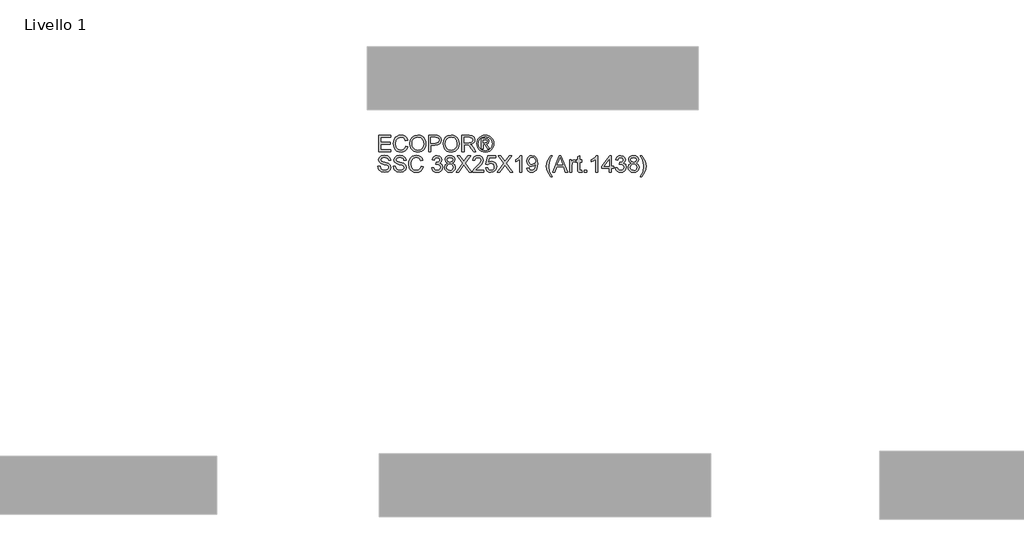
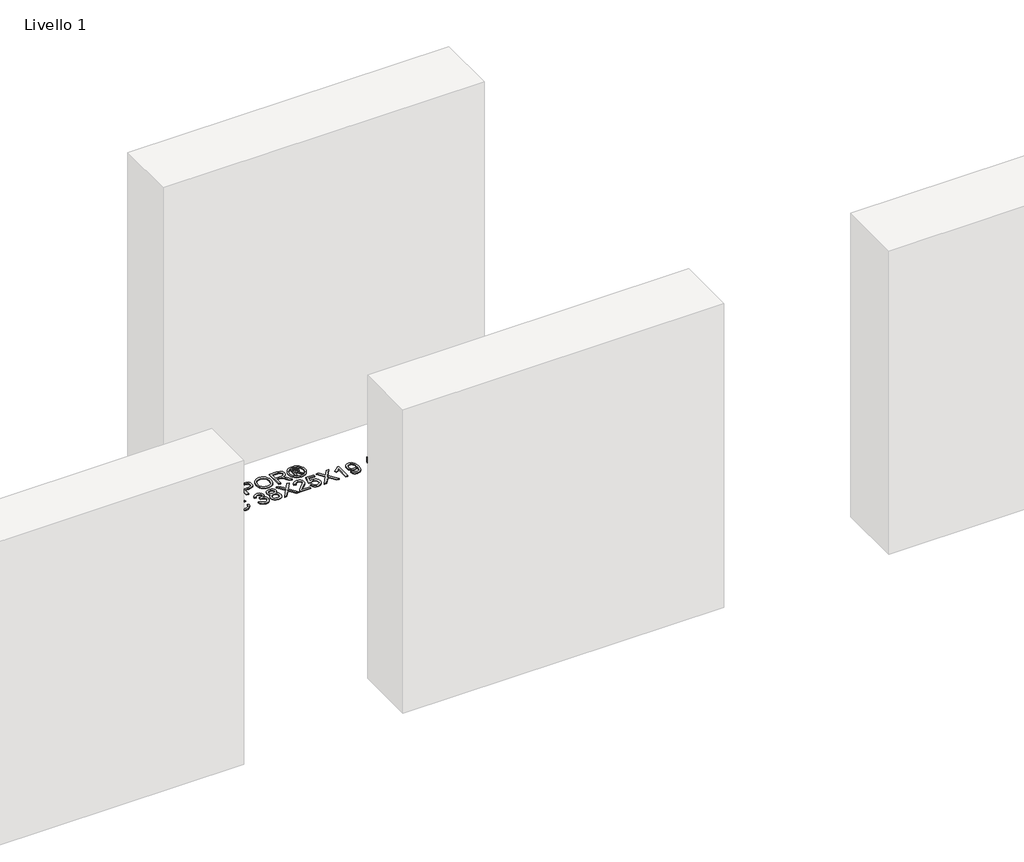
# One storey, part 8 of 10: 1 proxy.
"""IFC4 building model written with IfcOpenShell, lengths in millimetres."""

import ifcopenshell
import ifcopenshell.guid

model = None  # the IFC model being written
_history = None  # IfcOwnerHistory: only IFC2X3 demands one
_inside = {}  # id of a spatial element -> (the spatial element, [elements in it])
_under = {}  # id of a project, library or spatial element -> (it, [spatial elements below it])
_declared = {}  # id of a project -> (the project, [libraries it declares])
_typed = {}  # id of a type object -> (the type object, [elements of that type])
_made_of = {}  # id of a material, layer set ... -> (it, [elements and type objects made of it])


def new_model(schema):
    """Start an empty IFC model of exactly this schema.

    Asked for "IFC4X3", IfcOpenShell would pick the latest addendum, in which some entities
    have other attributes; the version numbers below select the first issue.
    IFC2X3 requires an IfcOwnerHistory on every rooted entity: one is made here for all.
    """
    global model, _history
    if schema == "IFC4X3":
        model = ifcopenshell.file(schema_version=(4, 3, 0, 0))
    else:
        model = ifcopenshell.file(schema=schema)
    _inside.clear()
    _under.clear()
    _declared.clear()
    _typed.clear()
    _made_of.clear()
    _history = None
    if model.schema == "IFC2X3":
        org = make("IfcOrganization", Name="unknown")
        user = make(
            "IfcPersonAndOrganization",
            ThePerson=make("IfcPerson", FamilyName="unknown"),
            TheOrganization=org,
        )
        app = make(
            "IfcApplication",
            ApplicationDeveloper=org,
            Version="unknown",
            ApplicationFullName="unknown",
            ApplicationIdentifier="unknown",
        )
        _history = make(
            "IfcOwnerHistory",
            OwningUser=user,
            OwningApplication=app,
            ChangeAction="ADDED",
            CreationDate=0,
        )
    return model


def make(cls, **values):
    """One entity of the class cls with the attributes given. An attribute that is None is left unset."""
    return model.create_entity(
        cls, **{name: value for name, value in values.items() if value is not None}
    )


def rooted(cls, **values):
    """An entity with a GlobalId (a new one), such as an element, a storey or a relation."""
    return make(cls, GlobalId=ifcopenshell.guid.new(), OwnerHistory=_history, **values)


def si_unit(unit_type, name, prefix=None):
    """IfcSIUnit, for example si_unit("LENGTHUNIT", "METRE", prefix="MILLI")."""
    return make("IfcSIUnit", UnitType=unit_type, Prefix=prefix, Name=name)


def assignment(units):
    """IfcUnitAssignment: the units of a project."""
    return None if units is None else make("IfcUnitAssignment", Units=units)


def point(xyz):
    """IfcCartesianPoint."""
    return None if xyz is None else make("IfcCartesianPoint", Coordinates=xyz)


def direction(xyz):
    """IfcDirection."""
    return None if xyz is None else make("IfcDirection", DirectionRatios=xyz)


def frame(location, z_axis=None, x_axis=None):
    """IfcAxis2Placement3D, a coordinate frame: its origin and axes. An axis left out is left unset."""
    return make(
        "IfcAxis2Placement3D",
        Location=point(location),
        Axis=direction(z_axis),
        RefDirection=direction(x_axis),
    )


def origin():
    """The frame at (0, 0, 0) with its axes left unset."""
    return frame((0.0, 0.0, 0.0))


def origin_with_axes():
    """The frame at (0, 0, 0) with the z axis (0, 0, 1) and the x axis (1, 0, 0) written out."""
    return frame((0.0, 0.0, 0.0), z_axis=(0.0, 0.0, 1.0), x_axis=(1.0, 0.0, 0.0))


def place(relative_to, where):
    """IfcLocalPlacement: puts the frame where relative to a parent placement (None: the world)."""
    return make(
        "IfcLocalPlacement", PlacementRelTo=relative_to, RelativePlacement=where
    )


def context(
    kind, dimensions, precision=None, world=None, true_north=None, identifier=None
):
    """IfcGeometricRepresentationContext, for example the 3D "Model" context."""
    return make(
        "IfcGeometricRepresentationContext",
        ContextIdentifier=identifier,
        ContextType=kind,
        CoordinateSpaceDimension=dimensions,
        Precision=precision,
        WorldCoordinateSystem=world,
        TrueNorth=true_north,
    )


def project(units=None, contexts=None):
    """IfcProject with its units and contexts."""
    return rooted(
        "IfcProject",
        Name="project",
        RepresentationContexts=contexts,
        UnitsInContext=assignment(units),
    )


def spatial(cls, under=None, at=None, **own):
    """A site, building, storey or space (cls), placed at a placement, below another one or the project."""
    s = rooted(cls, ObjectPlacement=at, **own)
    if under is not None:
        _under.setdefault(under.id(), (under, []))[1].append(s)
    return s


def polyline(points):
    """IfcPolyline through the points."""
    return make("IfcPolyline", Points=[point(p) for p in points])


def outline(outer, holes=None, kind="AREA"):
    """IfcArbitraryClosedProfileDef: a profile drawn as a closed curve; with holes, ...WithVoids."""
    if holes is None:
        return make("IfcArbitraryClosedProfileDef", ProfileType=kind, OuterCurve=outer)
    return make(
        "IfcArbitraryProfileDefWithVoids",
        ProfileType=kind,
        OuterCurve=outer,
        InnerCurves=holes,
    )


def extrude(swept, where, along, depth):
    """IfcExtrudedAreaSolid: the profile swept, set in the frame where, extruded along a direction by depth."""
    return make(
        "IfcExtrudedAreaSolid",
        SweptArea=swept,
        Position=where,
        ExtrudedDirection=direction(along),
        Depth=depth,
    )


def shape(context_of_items, identifier, shape_type, items):
    """IfcShapeRepresentation: the items that make up one representation, for example the "Body"."""
    return make(
        "IfcShapeRepresentation",
        ContextOfItems=context_of_items,
        RepresentationIdentifier=identifier,
        RepresentationType=shape_type,
        Items=items,
    )


def made_of(thing, what):
    """Note that an element or type object is made of a material, layer set ...; save() writes the relation."""
    if what is not None:
        _made_of.setdefault(what.id(), (what, []))[1].append(thing)
    return thing


def element(
    cls,
    number,
    at=None,
    inside=None,
    cuts=None,
    type_object=None,
    material=None,
    context=None,
    identifier="Body",
    shape_type=None,
    held_by="IfcProductDefinitionShape",
    body=None,
    shapes=None,
    **own,
):
    """One element of the class cls, such as IfcWall. Its Tag is "e" and its number.

    at: its placement. inside: the storey or other place that contains it. cuts: it is an
    opening in that element (IfcRelVoidsElement). A single representation is given by context,
    identifier, shape_type and body (its items); several are given by shapes. held_by: the class
    of the entity that holds the representations. save() writes the other relations.
    """
    e = rooted(cls, Tag="e%d" % number, ObjectPlacement=at, **own)
    if body is not None:
        shapes = [shape(context, identifier, shape_type, body)]
    if shapes is not None:
        e.Representation = make(held_by, Representations=shapes)
    if inside is not None:
        _inside.setdefault(inside.id(), (inside, []))[1].append(e)
    if cuts is not None:
        rooted(
            "IfcRelVoidsElement", RelatingBuildingElement=cuts, RelatedOpeningElement=e
        )
    if type_object is not None:
        _typed.setdefault(type_object.id(), (type_object, []))[1].append(e)
    return made_of(e, material)


def aggregate(whole, parts):
    """IfcRelAggregates: a whole, such as a stair, and the parts it consists of."""
    return rooted("IfcRelAggregates", RelatingObject=whole, RelatedObjects=parts)


def save(model, path):
    """Write the relations noted so far, then the file.

    IfcRelAggregates (storeys below a building ...), IfcRelContainedInSpatialStructure (elements
    in a storey), IfcRelDefinesByType, IfcRelAssociatesMaterial and IfcRelDeclares: one each for
    every whole, place, type object, material and project.
    """
    for whole, parts in _under.values():
        aggregate(whole, parts)
    for where, things in _inside.values():
        rooted(
            "IfcRelContainedInSpatialStructure",
            RelatedElements=things,
            RelatingStructure=where,
        )
    for kind, things in _typed.values():
        rooted("IfcRelDefinesByType", RelatedObjects=things, RelatingType=kind)
    for what, things in _made_of.values():
        rooted("IfcRelAssociatesMaterial", RelatedObjects=things, RelatingMaterial=what)
    for by, libraries in _declared.values():
        rooted("IfcRelDeclares", RelatingContext=by, RelatedDefinitions=libraries)
    model.write(path)


model = new_model("IFC4")

# Units and contexts
model_context = context("Model", 3, world=origin())
ifc_project = project(units=[si_unit("LENGTHUNIT", "METRE", prefix="MILLI")], contexts=[model_context])

# Site, building, storey
site = spatial("IfcSite", under=ifc_project)
building = spatial("IfcBuilding", under=site)
storey = spatial("IfcBuildingStorey", under=building, Name="Livello 1", Elevation=0.0)

# Proxy
placement = place(None, origin())
element("IfcBuildingElementProxy", 1, Name="100", ObjectType="100", at=placement, inside=storey, context=model_context, shape_type="SweptSolid", body=[
    extrude(outline(polyline([(896.162408, 2547.5921016), (896.162408, 2648.0484117), (968.3653809, 2648.0484117), (968.3653809, 2635.4913729), (908.7194468, 2635.4913729), (908.7194468, 2605.6684059), (965.2261212, 2605.6684059), (965.2261212, 2593.1113671), (908.7194468, 2593.1113671), (908.7194468, 2560.1491403), (969.9350108, 2560.1491403), (969.9350108, 2547.5921016), (896.162408, 2547.5921016)])), origin_with_axes(), (0.0, 0.0, 1.0), 5.0),
    extrude(outline(polyline([(1059.403912, 2583.3011805), (1071.9609508, 2580.063819), (1066.1668094, 2565.4313126), (1057.0739927, 2554.741275), (1045.1300906, 2548.2021725), (1030.7826928, 2546.0224717), (1016.2176315, 2547.6718093), (1004.6508084, 2552.6198222), (995.7848523, 2560.6948319), (989.3223919, 2571.7251604), (984.0616794, 2598.5805461), (985.5485358, 2613.2283809), (990.009105, 2625.8773901), (997.210395, 2636.1259694), (1006.919414, 2643.5725141), (1018.4341205, 2648.1066597), (1031.0524729, 2649.6180415), (1044.8204566, 2647.6621356), (1056.2033387, 2641.7944178), (1064.8454999, 2632.3766387), (1070.3913209, 2619.770549), (1057.8342822, 2616.7784421), (1047.5335863, 2632.2172232), (1030.5619636, 2637.0610028), (1010.9170651, 2631.6899256), (999.8192915, 2617.2689514), (996.6187182, 2598.6050715), (1000.4079027, 2576.9736102), (1012.204652, 2563.1535099), (1029.531894, 2558.5795105), (1040.0134652, 2560.1368776), (1048.7475969, 2564.8089789), (1055.3418817, 2572.5467636), (1059.403912, 2583.3011805)])), origin_with_axes(), (0.0, 0.0, 1.0), 5.0),
    extrude(outline(polyline([(1084.5179896, 2596.4958814), (1087.8657157, 2618.7098226), (1097.9088942, 2635.5158984), (1113.243442, 2646.0925058), (1132.4652763, 2649.6180415), (1145.6415831, 2647.9625726), (1157.4567265, 2642.9961656), (1167.266913, 2635.0683086), (1174.4283492, 2624.5284895), (1178.8061449, 2611.8856116), (1180.2654102, 2597.6485784), (1178.7295028, 2583.2214728), (1174.1217808, 2570.4007853), (1166.6966959, 2559.842572), (1156.7086997, 2552.2028892), (1144.9947239, 2547.5675761), (1132.3916999, 2546.0224717), (1119.013058, 2547.7300573), (1107.1304695, 2552.8528141), (1097.3448085, 2560.9278239), (1090.2569487, 2571.4921685), (1084.5179896, 2596.4958814)]), holes=[polyline([(1097.0750283, 2596.3732541), (1099.5858229, 2580.6585616), (1107.1182068, 2568.6840026), (1118.4397752, 2561.1056335), (1132.3181235, 2558.5795105), (1146.3988068, 2561.130159), (1157.7387693, 2568.7821045), (1165.2159709, 2581.1245454), (1167.7083714, 2597.7466802), (1163.4409403, 2618.4706993), (1150.9697406, 2632.1926977), (1132.5388527, 2637.0610028), (1119.0314521, 2634.7157551), (1107.5474025, 2627.6800119), (1099.6931219, 2615.162827), (1097.0750283, 2596.3732541)])]), origin_with_axes(), (0.0, 0.0, 1.0), 5.0),
    extrude(outline(polyline([(1197.5313385, 2547.5921016), (1197.5313385, 2648.0484117), (1234.7609964, 2648.0484117), (1249.7705818, 2647.0919185), (1261.9720013, 2642.3952917), (1269.8814642, 2632.683207), (1272.8735711, 2618.9857341), (1270.8532858, 2607.1460652), (1264.7924299, 2597.2806964), (1253.4585988, 2590.6220323), (1235.6193877, 2588.4024775), (1210.0883772, 2588.4024775), (1210.0883772, 2547.5921016), (1197.5313385, 2547.5921016)]), holes=[polyline([(1210.0883772, 2600.9595163), (1236.3551517, 2600.9595163), (1254.8473533, 2605.570304), (1258.9492376, 2611.1191908), (1260.3165323, 2618.5442757), (1257.0914335, 2628.9430734), (1248.6178849, 2634.6329816), (1236.0608461, 2635.4913729), (1210.0883772, 2635.4913729), (1210.0883772, 2600.9595163)])]), origin_with_axes(), (0.0, 0.0, 1.0), 5.0),
    extrude(outline(polyline([(1285.4306099, 2596.4958814), (1288.778336, 2618.7098226), (1298.8215145, 2635.5158984), (1314.1560623, 2646.0925058), (1333.3778966, 2649.6180415), (1346.5542033, 2647.9625726), (1358.3693468, 2642.9961656), (1368.1795333, 2635.0683086), (1375.3409695, 2624.5284895), (1379.7187652, 2611.8856116), (1381.1780305, 2597.6485784), (1379.6421231, 2583.2214728), (1375.0344011, 2570.4007853), (1367.6093162, 2559.842572), (1357.62132, 2552.2028892), (1345.9073442, 2547.5675761), (1333.3043202, 2546.0224717), (1319.9256783, 2547.7300573), (1308.0430898, 2552.8528141), (1298.2574287, 2560.9278239), (1291.169569, 2571.4921685), (1285.4306099, 2596.4958814)]), holes=[polyline([(1297.9876486, 2596.3732541), (1300.4984432, 2580.6585616), (1308.0308271, 2568.6840026), (1319.3523955, 2561.1056335), (1333.2307438, 2558.5795105), (1347.3114271, 2561.130159), (1358.6513896, 2568.7821045), (1366.1285912, 2581.1245454), (1368.6209917, 2597.7466802), (1364.3535605, 2618.4706993), (1351.8823609, 2632.1926977), (1333.451473, 2637.0610028), (1319.9440724, 2634.7157551), (1308.4600227, 2627.6800119), (1300.6057422, 2615.162827), (1297.9876486, 2596.3732541)])]), origin_with_axes(), (0.0, 0.0, 1.0), 5.0),
    extrude(outline(polyline([(1398.4439588, 2547.5921016), (1398.4439588, 2648.0484117), (1441.7314069, 2648.0484117), (1461.8300265, 2645.3383477), (1472.8174355, 2635.7488903), (1476.9254511, 2620.5553639), (1475.2239968, 2610.6593383), (1470.1196342, 2602.4555698), (1461.4590789, 2596.4406991), (1449.0890468, 2593.1113671), (1456.2259575, 2587.74029), (1466.404026, 2574.8153692), (1483.1549195, 2547.5921016), (1468.5622671, 2547.5921016), (1455.4901935, 2568.4142225), (1446.0478889, 2582.1975346), (1439.4137503, 2588.7090459), (1433.4417992, 2591.1002788), (1426.1577357, 2591.5417372), (1411.0009975, 2591.5417372), (1411.0009975, 2547.5921016), (1398.4439588, 2547.5921016)]), holes=[polyline([(1411.0009975, 2604.098776), (1439.107182, 2604.098776), (1453.442317, 2605.8768723), (1461.5847719, 2611.5667805), (1464.3684123, 2620.0893801), (1459.0586488, 2631.1503654), (1442.2709671, 2635.4913729), (1411.0009975, 2635.4913729), (1411.0009975, 2604.098776)])]), origin_with_axes(), (0.0, 0.0, 1.0), 5.0),
    extrude(outline(polyline([(1539.7351704, 2649.6180415), (1552.6294343, 2647.9441785), (1565.2171299, 2642.9225892), (1576.2750496, 2634.7862658), (1584.5799856, 2623.7682), (1589.7763188, 2611.0456144), (1591.5084298, 2597.7957312), (1589.8008442, 2584.6623439), (1584.6780875, 2572.0439915), (1576.474319, 2561.0657796), (1565.5236982, 2552.8528141), (1552.9145429, 2547.7300573), (1539.7351704, 2546.0224717), (1526.574192, 2547.7300573), (1513.971168, 2552.8528141), (1503.0113502, 2561.0657796), (1494.7799906, 2572.0439915), (1489.6296426, 2584.6623439), (1487.91286, 2597.7957312), (1489.6541681, 2611.0456144), (1494.8780924, 2623.7682), (1503.2106196, 2634.7862658), (1514.2777363, 2642.9225892), (1526.8593006, 2647.9441785), (1539.7351704, 2649.6180415)]), holes=[polyline([(1539.7351704, 2640.2002625), (1518.9130495, 2634.7188207), (1509.8846122, 2628.0570909), (1503.0573355, 2619.034785), (1497.3306391, 2597.7957312), (1502.9469709, 2576.7406183), (1518.6677948, 2561.0565826), (1539.7351704, 2555.4402508), (1560.8148087, 2561.0565826), (1576.4988444, 2576.7406183), (1582.0906508, 2597.7957312), (1576.4007426, 2619.034785), (1569.59186, 2628.0570909), (1560.5450286, 2634.7188207), (1539.7351704, 2640.2002625)])]), origin_with_axes(), (0.0, 0.0, 1.0), 5.0),
    extrude(outline(polyline([(1516.1661972, 2566.4276597), (1516.1661972, 2629.2128535), (1536.4487579, 2629.2128535), (1551.5073942, 2627.4838082), (1558.9263478, 2621.4505434), (1561.6854628, 2612.2902818), (1556.9275223, 2600.3709051), (1544.3214326, 2594.6809969), (1549.2265259, 2591.3455335), (1557.7859136, 2578.8130202), (1564.8247225, 2566.4276597), (1554.229721, 2566.4276597), (1548.7114911, 2576.384999), (1539.4653903, 2590.8059733), (1531.4455628, 2593.1113671), (1525.5839763, 2593.1113671), (1525.5839763, 2566.4276597), (1516.1661972, 2566.4276597)]), holes=[polyline([(1525.5839763, 2602.5291462), (1537.5033529, 2602.5291462), (1549.1529495, 2604.9203791), (1552.2676837, 2611.2602122), (1550.7716302, 2615.8219489), (1546.6145637, 2618.8140558), (1536.7430635, 2619.7950745), (1525.5839763, 2619.7950745), (1525.5839763, 2602.5291462)])]), origin_with_axes(), (0.0, 0.0, 1.0), 5.0),
    extrude(outline(polyline([(891.4535185, 2460.1491403), (904.0105573, 2460.1491403), (908.0572592, 2447.5798388), (917.9410221, 2439.6335877), (932.9996585, 2436.6046926), (946.120783, 2438.8978237), (954.5943316, 2445.2008686), (957.377972, 2453.6253663), (955.2933074, 2461.4612528), (946.7584451, 2467.1634237), (928.4747099, 2471.9581524), (908.7930232, 2478.1508326), (898.1121826, 2487.4950353), (894.5927782, 2499.9784977), (898.9460485, 2514.1910054), (911.6625028, 2524.2219211), (930.2773317, 2527.6432237), (950.1429594, 2524.0625056), (963.3867113, 2513.5410806), (968.3653809, 2497.8202566), (955.8083422, 2497.8202566), (953.5029483, 2505.3127866), (948.6959569, 2510.7206519), (930.767841, 2515.0861849), (912.7906742, 2510.7697029), (907.1498169, 2500.3463797), (911.147468, 2491.6398391), (931.6507578, 2484.6255557), (953.8708303, 2478.3225109), (966.0231989, 2468.1444423), (969.9350108, 2453.9441973), (965.4345877, 2438.9223492), (952.4851415, 2427.9594657), (933.4901678, 2424.0476539), (911.0616288, 2428.2660341), (896.8736465, 2440.9702256), (891.4535185, 2460.1491403)])), origin_with_axes(), (0.0, 0.0, 1.0), 5.0),
    extrude(outline(polyline([(984.0616794, 2460.1491403), (996.6187182, 2460.1491403), (1000.6654201, 2447.5798388), (1010.5491831, 2439.6335877), (1025.6078194, 2436.6046926), (1038.7289439, 2438.8978237), (1047.2024925, 2445.2008686), (1049.9861329, 2453.6253663), (1047.9014683, 2461.4612528), (1039.366606, 2467.1634237), (1021.0828709, 2471.9581524), (1001.4011841, 2478.1508326), (990.7203435, 2487.4950353), (987.2009391, 2499.9784977), (991.5542094, 2514.1910054), (1004.2706637, 2524.2219211), (1022.8854926, 2527.6432237), (1042.7511204, 2524.0625056), (1055.9948722, 2513.5410806), (1060.9735419, 2497.8202566), (1048.4165031, 2497.8202566), (1046.1111093, 2505.3127866), (1041.3041179, 2510.7206519), (1023.376002, 2515.0861849), (1005.3988351, 2510.7697029), (999.7579779, 2500.3463797), (1003.7556289, 2491.6398391), (1024.2589187, 2484.6255557), (1046.4789913, 2478.3225109), (1058.6313598, 2468.1444423), (1062.5431717, 2453.9441973), (1058.0427486, 2438.9223492), (1045.0933024, 2427.9594657), (1026.0983287, 2424.0476539), (1003.6697897, 2428.2660341), (989.4818075, 2440.9702256), (984.0616794, 2460.1491403)])), origin_with_axes(), (0.0, 0.0, 1.0), 5.0),
    extrude(outline(polyline([(1152.0120729, 2461.3263627), (1164.5691117, 2458.0890011), (1158.7749703, 2443.4564948), (1149.6821536, 2432.7664571), (1137.7382515, 2426.2273547), (1123.3908537, 2424.0476539), (1108.8257924, 2425.6969915), (1097.2589693, 2430.6450043), (1088.3930132, 2438.7200141), (1081.9305529, 2449.7503426), (1076.6698403, 2476.6057282), (1078.1566967, 2491.253563), (1082.6172659, 2503.9025723), (1089.818556, 2514.1511515), (1099.527575, 2521.5976962), (1111.0422814, 2526.1318418), (1123.6606338, 2527.6432237), (1137.4286175, 2525.6873178), (1148.8114996, 2519.8195999), (1157.4536608, 2510.4018209), (1162.9994819, 2497.7957312), (1150.4424431, 2494.8036243), (1140.1417472, 2510.2424053), (1123.1701245, 2515.0861849), (1103.525226, 2509.7151078), (1092.4274524, 2495.2941336), (1089.2268791, 2476.6302537), (1093.0160636, 2454.9987924), (1104.812813, 2441.1786921), (1122.1400549, 2436.6046926), (1132.6216261, 2438.1620597), (1141.3557578, 2442.8341611), (1147.9500426, 2450.5719457), (1152.0120729, 2461.3263627)])), origin_with_axes(), (0.0, 0.0, 1.0), 5.0),
    extrude(outline(polyline([(1216.3668966, 2452.3009911), (1228.9239354, 2453.8706209), (1235.8523796, 2440.6513946), (1248.8140886, 2436.6046926), (1257.4225273, 2437.9965128), (1264.0689287, 2442.1719735), (1269.7343114, 2455.9552856), (1264.1179796, 2468.94152), (1249.8441582, 2474.0796052), (1241.0395158, 2472.7061791), (1242.4374673, 2485.2632179), (1244.4485556, 2485.1160651), (1258.6978515, 2488.7213086), (1263.4435293, 2493.2953081), (1265.0254219, 2499.8068194), (1260.4391596, 2509.6292687), (1248.6178849, 2513.5165551), (1236.6494573, 2509.5924805), (1230.4935652, 2497.8202566), (1217.9365265, 2499.3898865), (1221.6337405, 2510.6654696), (1228.2126969, 2519.0838359), (1237.213543, 2524.3261544), (1248.1764265, 2526.0735939), (1263.3209019, 2522.6277658), (1273.9159034, 2513.2099868), (1277.5824606, 2500.5425834), (1274.0998444, 2488.9665633), (1263.7991485, 2480.6524302), (1277.4843588, 2472.068517), (1282.2913502, 2455.7345564), (1279.8878545, 2443.4963487), (1272.6773674, 2433.2692292), (1261.7941917, 2426.3530477), (1248.3726302, 2424.0476539), (1236.2325244, 2426.0158225), (1226.3487614, 2431.9203286), (1219.4754995, 2440.9518315), (1216.3668966, 2452.3009911)])), origin_with_axes(), (0.0, 0.0, 1.0), 5.0),
    extrude(outline(polyline([(1311.574757, 2480.9467358), (1300.1336269, 2488.7458341), (1296.4180188, 2500.8859399), (1298.4413697, 2510.7022578), (1304.5114227, 2518.8140558), (1313.9475958, 2524.2587093), (1326.0693076, 2526.0735939), (1338.2645957, 2524.2157898), (1347.8233962, 2518.6423776), (1354.0038138, 2510.4018209), (1356.0639529, 2500.5425834), (1352.3973957, 2488.7090459), (1341.2750967, 2480.9467358), (1354.6292131, 2471.099761), (1359.2032126, 2454.8516396), (1356.934607, 2442.8464238), (1350.1287901, 2432.9258727), (1339.6196277, 2426.2672086), (1326.2409858, 2424.0476539), (1312.862344, 2426.2764056), (1302.3531816, 2432.9626609), (1295.5473647, 2442.9782482), (1293.2787591, 2455.1949961), (1298.0366996, 2471.8232623), (1311.574757, 2480.9467358)]), holes=[polyline([(1308.9750575, 2500.5180579), (1313.4264297, 2490.6588205), (1326.3881386, 2486.8328477), (1339.0923302, 2490.634295), (1343.5069142, 2499.9539722), (1338.9451774, 2509.6047432), (1326.2409858, 2513.5165551), (1313.5000061, 2509.6905823), (1308.9750575, 2500.5180579)]), polyline([(1305.8357979, 2455.6364545), (1307.9327252, 2446.1818872), (1315.3516788, 2439.1062902), (1326.3390877, 2436.6046926), (1334.8862127, 2437.9198708), (1341.2996222, 2441.8654052), (1346.6461738, 2455.2440471), (1341.1279439, 2468.8802063), (1334.5673817, 2472.9269083), (1325.9221548, 2474.2758089), (1317.4945914, 2472.9453024), (1311.1455613, 2468.9537827), (1305.8357979, 2455.6364545)])]), origin_with_axes(), (0.0, 0.0, 1.0), 5.0),
    extrude(outline(polyline([(1363.9121022, 2425.6172837), (1402.6378135, 2480.3581246), (1370.1906215, 2526.0735939), (1385.2492579, 2526.0735939), (1403.5207303, 2500.3463797), (1409.6766224, 2490.3154639), (1416.8871095, 2500.5180579), (1434.9623782, 2526.0735939), (1450.2417437, 2526.0735939), (1417.7945517, 2480.2109718), (1456.5202631, 2425.6172837), (1441.4616267, 2425.6172837), (1415.6608361, 2462.0130758), (1410.289759, 2469.5669194), (1404.3791216, 2461.2773118), (1379.1914677, 2425.6172837), (1363.9121022, 2425.6172837)])), origin_with_axes(), (0.0, 0.0, 1.0), 5.0),
    extrude(outline(polyline([(1528.723236, 2438.1743225), (1528.723236, 2425.6172837), (1462.7987825, 2425.6172837), (1464.1476831, 2434.2747733), (1471.7751031, 2447.6043643), (1487.4959271, 2462.1602286), (1509.1764393, 2483.0804514), (1514.5965674, 2497.3052218), (1509.4830076, 2508.8199283), (1496.1288912, 2513.5165551), (1482.2106891, 2508.9302929), (1476.9254511, 2496.2506268), (1464.3684123, 2497.8202566), (1467.4126358, 2509.9664938), (1473.9946578, 2518.8385813), (1483.7711219, 2524.2648407), (1496.3986714, 2526.0735939), (1509.1181913, 2524.0625056), (1518.8762613, 2518.0292409), (1525.0842699, 2509.016132), (1527.1536061, 2498.0655113), (1524.9217887, 2486.1583974), (1517.5028351, 2473.8466133), (1499.5134056, 2456.6419986), (1485.0679059, 2444.5632065), (1479.4025232, 2438.1743225), (1528.723236, 2438.1743225)])), origin_with_axes(), (0.0, 0.0, 1.0), 5.0),
    extrude(outline(polyline([(1541.2802748, 2452.3009911), (1553.8373135, 2453.8706209), (1560.1648838, 2440.9334374), (1573.2860083, 2436.6046926), (1582.2868545, 2438.1099431), (1589.0313577, 2442.6256946), (1593.2436066, 2449.6307809), (1594.6476895, 2458.6040359), (1589.386977, 2473.5155195), (1582.7804295, 2477.6174037), (1573.4822121, 2478.9846985), (1562.458015, 2476.801932), (1555.4069434, 2471.1365492), (1542.8499046, 2472.7061791), (1553.8373135, 2524.503964), (1602.4958388, 2524.503964), (1602.4958388, 2511.9469252), (1563.9908566, 2511.9469252), (1558.6197795, 2484.2821992), (1567.5899688, 2489.7268527), (1576.9893538, 2491.5417372), (1588.7217237, 2489.2915257), (1598.4613995, 2482.5408911), (1605.0188961, 2472.252458), (1607.2047283, 2459.3888509), (1605.2365596, 2446.8318121), (1599.3320536, 2436.0896578), (1588.0258136, 2427.0581549), (1573.2369574, 2424.0476539), (1560.9037135, 2425.9821), (1551.0781986, 2431.7854385), (1544.3428924, 2440.783219), (1541.2802748, 2452.3009911)])), origin_with_axes(), (0.0, 0.0, 1.0), 5.0),
    extrude(outline(polyline([(1611.9136178, 2425.6172837), (1650.6393292, 2480.3581246), (1618.1921372, 2526.0735939), (1633.2507736, 2526.0735939), (1651.522246, 2500.3463797), (1657.678138, 2490.3154639), (1664.8886251, 2500.5180579), (1682.9638938, 2526.0735939), (1698.2432594, 2526.0735939), (1665.7960674, 2480.2109718), (1704.5217788, 2425.6172837), (1689.4631424, 2425.6172837), (1663.6623518, 2462.0130758), (1658.2912747, 2469.5669194), (1652.3806373, 2461.2773118), (1627.1929834, 2425.6172837), (1611.9136178, 2425.6172837)])), origin_with_axes(), (0.0, 0.0, 1.0), 5.0),
    extrude(outline(polyline([(1759.4588234, 2425.6172837), (1746.9017846, 2425.6172837), (1746.9017846, 2503.9025723), (1735.0069334, 2495.4290237), (1721.7877071, 2489.0891906), (1721.7877071, 2500.9595163), (1740.1940696, 2512.7072147), (1751.3654195, 2526.0735939), (1759.4588234, 2526.0735939), (1759.4588234, 2425.6172837)])), origin_with_axes(), (0.0, 0.0, 1.0), 5.0),
    extrude(outline(polyline([(1790.8514203, 2450.7313612), (1803.4084591, 2452.3009911), (1809.0493163, 2440.3203008), (1819.7424196, 2436.6046926), (1829.9082254, 2438.9959256), (1836.7998815, 2445.3848096), (1840.9078971, 2456.2986421), (1842.7227816, 2470.8667691), (1842.6492052, 2473.3193157), (1832.6060267, 2463.8034348), (1818.8349774, 2460.1491403), (1807.3846503, 2462.3809578), (1797.8534409, 2469.0764101), (1791.4247031, 2479.4200255), (1789.2817904, 2492.5963323), (1791.5289363, 2506.2079661), (1798.2703739, 2516.876544), (1808.3963258, 2523.7743314), (1820.7970147, 2526.0735939), (1838.6883424, 2520.8251441), (1851.0001265, 2505.8646096), (1855.206244, 2477.7584252), (1851.0123892, 2447.2610078), (1845.797662, 2437.2699459), (1838.5411896, 2429.9828167), (1829.5556719, 2425.5314446), (1819.1538085, 2424.0476539), (1808.4177856, 2425.798159), (1799.8522664, 2431.0496745), (1793.8619213, 2439.4711065), (1790.8514203, 2450.7313612)]), holes=[polyline([(1842.6492052, 2492.8906379), (1841.2941732, 2501.4009747), (1837.2290772, 2507.9492742), (1830.9199009, 2512.1247349), (1822.8326284, 2513.5165551), (1814.4449189, 2512.017436), (1807.7249411, 2507.5200786), (1803.3103572, 2500.6376196), (1801.8388292, 2491.9831956), (1803.2306494, 2484.2239512), (1807.4061101, 2478.0649935), (1813.960541, 2474.0458827), (1822.4892719, 2472.7061791), (1836.9715598, 2478.0649935), (1841.2297938, 2484.4508118), (1842.6492052, 2492.8906379)])]), origin_with_axes(), (0.0, 0.0, 1.0), 5.0),
    extrude(outline(polyline([(1933.6877363, 2397.3639465), (1915.8577223, 2426.8190316), (1910.3946746, 2443.9991207), (1908.5736587, 2461.7923466), (1914.0183123, 2492.3265522), (1933.6877363, 2526.0735939), (1943.1055154, 2526.0735939), (1931.357817, 2506.1834406), (1924.2944827, 2486.9064241), (1921.1306975, 2461.7187702), (1926.624402, 2429.5290956), (1943.1055154, 2397.3639465), (1933.6877363, 2397.3639465)])), origin_with_axes(), (0.0, 0.0, 1.0), 5.0),
    extrude(outline(polyline([(1945.5335365, 2425.6172837), (1985.632674, 2526.0735939), (1996.3257773, 2526.0735939), (2036.4249148, 2425.6172837), (2023.1566375, 2425.6172837), (2011.6541938, 2457.0098806), (1970.2797321, 2457.0098806), (1958.8018138, 2425.6172837), (1945.5335365, 2425.6172837)]), holes=[polyline([(1974.8905197, 2469.5669194), (2007.0679316, 2469.5669194), (1998.0180345, 2494.264064), (1990.9792257, 2513.5165551), (1984.7252317, 2496.422305), (1974.8905197, 2469.5669194)])]), origin_with_axes(), (0.0, 0.0, 1.0), 5.0),
    extrude(outline(polyline([(2048.270715, 2425.6172837), (2048.270715, 2499.3898865), (2059.258124, 2499.3898865), (2059.258124, 2488.4760539), (2067.0572223, 2498.5314952), (2074.9053715, 2500.9595163), (2087.5114612, 2497.0844926), (2083.3176065, 2485.8273036), (2074.4884386, 2488.4024775), (2067.3883161, 2485.9254054), (2062.8633675, 2479.0582749), (2060.8277538, 2464.392046), (2060.8277538, 2425.6172837), (2048.270715, 2425.6172837)])), origin_with_axes(), (0.0, 0.0, 1.0), 5.0),
    extrude(outline(polyline([(2122.0433178, 2436.0896578), (2123.6129477, 2425.2494017), (2114.2196941, 2424.0476539), (2103.698269, 2426.1323185), (2098.4498192, 2431.6014975), (2096.9292403, 2445.8507934), (2096.9292403, 2486.8328477), (2087.5114612, 2486.8328477), (2087.5114612, 2499.3898865), (2096.9292403, 2499.3898865), (2096.9292403, 2517.3180024), (2109.486279, 2524.7001677), (2109.486279, 2499.3898865), (2122.0433178, 2499.3898865), (2122.0433178, 2486.8328477), (2109.486279, 2486.8328477), (2109.486279, 2446.2186754), (2110.1484666, 2439.7439523), (2112.2944449, 2437.4508212), (2116.5741388, 2436.6046926), (2122.0433178, 2436.0896578)])), origin_with_axes(), (0.0, 0.0, 1.0), 5.0),
    extrude(outline(polyline([(2137.7396163, 2425.6172837), (2137.7396163, 2438.1743225), (2150.296655, 2438.1743225), (2150.296655, 2425.6172837), (2137.7396163, 2425.6172837)])), origin_with_axes(), (0.0, 0.0, 1.0), 5.0),
    extrude(outline(polyline([(2217.7907384, 2425.6172837), (2205.2336997, 2425.6172837), (2205.2336997, 2503.9025723), (2193.3388485, 2495.4290237), (2180.1196221, 2489.0891906), (2180.1196221, 2500.9595163), (2198.5259846, 2512.7072147), (2209.6973345, 2526.0735939), (2217.7907384, 2526.0735939), (2217.7907384, 2425.6172837)])), origin_with_axes(), (0.0, 0.0, 1.0), 5.0),
    extrude(outline(polyline([(2288.4240815, 2425.6172837), (2288.4240815, 2449.1617314), (2242.904816, 2449.1617314), (2242.904816, 2461.7187702), (2291.5633412, 2524.503964), (2300.9811203, 2524.503964), (2300.9811203, 2461.7187702), (2313.538159, 2461.7187702), (2313.538159, 2449.1617314), (2300.9811203, 2449.1617314), (2300.9811203, 2425.6172837), (2288.4240815, 2425.6172837)]), holes=[polyline([(2288.4240815, 2461.7187702), (2288.4240815, 2500.5180579), (2258.3558598, 2461.7187702), (2288.4240815, 2461.7187702)])]), origin_with_axes(), (0.0, 0.0, 1.0), 5.0),
    extrude(outline(polyline([(2324.525568, 2452.3009911), (2337.0826067, 2453.8706209), (2344.011051, 2440.6513946), (2356.9727599, 2436.6046926), (2365.5811986, 2437.9965128), (2372.2276, 2442.1719735), (2377.8929827, 2455.9552856), (2372.2766509, 2468.94152), (2358.0028295, 2474.0796052), (2349.1981871, 2472.7061791), (2350.5961387, 2485.2632179), (2352.6072269, 2485.1160651), (2366.8565229, 2488.7213086), (2371.6022006, 2493.2953081), (2373.1840932, 2499.8068194), (2368.597831, 2509.6292687), (2356.7765562, 2513.5165551), (2344.8081286, 2509.5924805), (2338.6522366, 2497.8202566), (2326.0951978, 2499.3898865), (2329.7924119, 2510.6654696), (2336.3713682, 2519.0838359), (2345.3722144, 2524.3261544), (2356.3350978, 2526.0735939), (2371.4795733, 2522.6277658), (2382.0745747, 2513.2099868), (2385.741132, 2500.5425834), (2382.2585157, 2488.9665633), (2371.9578199, 2480.6524302), (2385.6430301, 2472.068517), (2390.4500215, 2455.7345564), (2388.0465258, 2443.4963487), (2380.8360387, 2433.2692292), (2369.952863, 2426.3530477), (2356.5313015, 2424.0476539), (2344.3911957, 2426.0158225), (2334.5074328, 2431.9203286), (2327.6341708, 2440.9518315), (2324.525568, 2452.3009911)])), origin_with_axes(), (0.0, 0.0, 1.0), 5.0),
    extrude(outline(polyline([(2419.7334283, 2480.9467358), (2408.2922983, 2488.7458341), (2404.5766901, 2500.8859399), (2406.6000411, 2510.7022578), (2412.670094, 2518.8140558), (2422.1062672, 2524.2587093), (2434.2279789, 2526.0735939), (2446.4232671, 2524.2157898), (2455.9820676, 2518.6423776), (2462.1624851, 2510.4018209), (2464.2226243, 2500.5425834), (2460.556067, 2488.7090459), (2449.4337681, 2480.9467358), (2462.7878845, 2471.099761), (2467.361884, 2454.8516396), (2465.0932783, 2442.8464238), (2458.2874614, 2432.9258727), (2447.7782991, 2426.2672086), (2434.3996572, 2424.0476539), (2421.0210153, 2426.2764056), (2410.511853, 2432.9626609), (2403.7060361, 2442.9782482), (2401.4374304, 2455.1949961), (2406.1953709, 2471.8232623), (2419.7334283, 2480.9467358)]), holes=[polyline([(2417.1337289, 2500.5180579), (2421.585101, 2490.6588205), (2434.54681, 2486.8328477), (2447.2510016, 2490.634295), (2451.6655855, 2499.9539722), (2447.1038488, 2509.6047432), (2434.3996572, 2513.5165551), (2421.6586774, 2509.6905823), (2417.1337289, 2500.5180579)]), polyline([(2413.9944692, 2455.6364545), (2416.0913966, 2446.1818872), (2423.5103501, 2439.1062902), (2434.4977591, 2436.6046926), (2443.0448841, 2437.9198708), (2449.4582935, 2441.8654052), (2454.8048452, 2455.2440471), (2449.2866153, 2468.8802063), (2442.726053, 2472.9269083), (2434.0808261, 2474.2758089), (2425.6532628, 2472.9453024), (2419.3042327, 2468.9537827), (2413.9944692, 2455.6364545)])]), origin_with_axes(), (0.0, 0.0, 1.0), 5.0),
    extrude(outline(polyline([(2484.6278123, 2397.3639465), (2475.2100332, 2397.3639465), (2491.6911466, 2429.5290956), (2497.184851, 2461.7187702), (2494.0210659, 2486.6856949), (2487.031308, 2505.9872369), (2475.2100332, 2526.0735939), (2484.6278123, 2526.0735939), (2504.2972363, 2492.3265522), (2509.7418898, 2461.7923466), (2507.9116769, 2443.9991207), (2502.4210381, 2426.8190316), (2484.6278123, 2397.3639465)])), origin_with_axes(), (0.0, 0.0, 1.0), 5.0),
])

save(model, "model.ifc")
